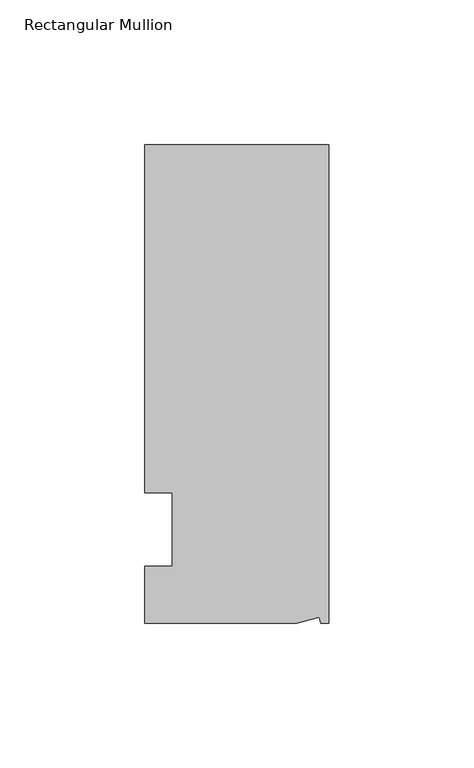
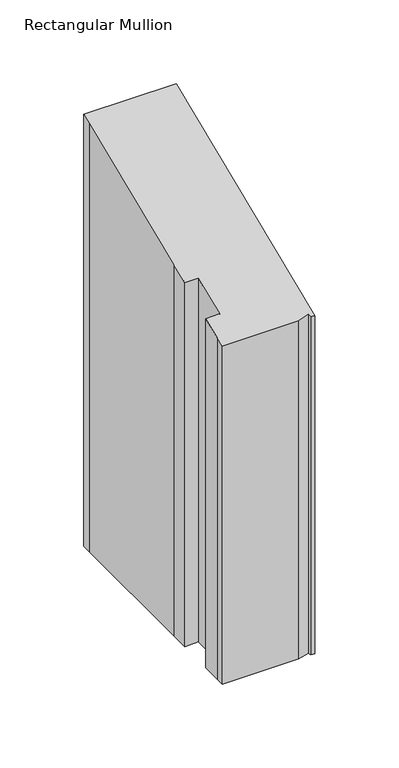
"""IFC4 building model written with IfcOpenShell, lengths in millimetres: member geometry, Rectangular Mullion."""

from ifc_helpers import new_model, si_unit, origin, place, context, project, spatial, faceted_brep, source, transform, mapped, element, save


def rectangular_mullion_92cc77c5(model_context):
    return source(origin(), model_context, "Body", "Brep", [
        faceted_brep([(-3.3457217, -17.5748952, -7.2797599), (-11.1265412, -19.6597595, -8.143339), (-11.1265412, -19.6597595, -254.0), (-3.3457217, -17.5748952, -254.0), (-2.787084, -19.6597595, -8.143339), (-2.787084, -19.6597595, -254.0), (0.0, -19.6597595, -8.143339), (0.0, -19.6597595, -254.0), (0.0, 145.4402405, 60.2433201), (0.0, 145.4402405, -254.0), (-63.5, 145.4402405, 60.2433201), (-63.5, 145.4402405, -254.0), (-63.5, 139.091245, 57.6134801), (-63.5, 139.091245, -254.0), (-63.5, 38.3358837, 15.8792429), (-63.5, 38.3358837, -254.0), (-53.975, 25.4, 10.5210245), (-63.5, 25.4, 10.5210245), (-63.5, 25.4, -254.0), (-53.975, 25.4, -254.0), (-53.975, 0.0, 0.0), (-53.975, 0.0, -254.0), (-63.5, 0.0, 0.0), (-63.5, 0.0, -254.0), (-63.5, -13.6200033, -5.6415901), (-63.5, -13.6200033, -254.0), (-63.5, -19.6597595, -8.143339), (-63.5, -19.6597595, -254.0)], [[[0, 1, 2, 3]], [[4, 0, 3, 5]], [[6, 4, 5, 7]], [[8, 6, 7, 9]], [[10, 8, 9, 11]], [[12, 10, 11, 13]], [[14, 12, 13, 15]], [[16, 17, 18, 19]], [[20, 16, 19, 21]], [[22, 20, 21, 23]], [[24, 22, 23, 25]], [[1, 26, 27, 2]], [[1, 0, 4, 6, 8, 10, 12, 14, 17, 16, 20, 22, 24, 26]], [[2, 27, 25, 23, 21, 19, 18, 15, 13, 11, 9, 7, 5, 3]], [[17, 14, 15, 18]], [[26, 24, 25, 27]]]),
    ])


if __name__ == "__main__":
    model = new_model("IFC4")
    model_context = context("Model", 3, world=origin())
    ifc_project = project(units=[si_unit("LENGTHUNIT", "METRE", prefix="MILLI")], contexts=[model_context])
    site = spatial("IfcSite", under=ifc_project)
    building = spatial("IfcBuilding", under=site)
    placement = place(None, origin())
    rectangular_mullion_shape = rectangular_mullion_92cc77c5(model_context)
    element("IfcMember", 1, ObjectType="Rectangular Mullion", at=placement, inside=building, context=model_context, shape_type="MappedRepresentation", body=[
        mapped(rectangular_mullion_shape, transform((0.0, 0.0, 0.0), x_axis=(1.0, 0.0, 0.0), y_axis=(0.0, 1.0, 0.0), z_axis=(0.0, 0.0, 1.0))),
    ])
    save(model, "model.ifc")
